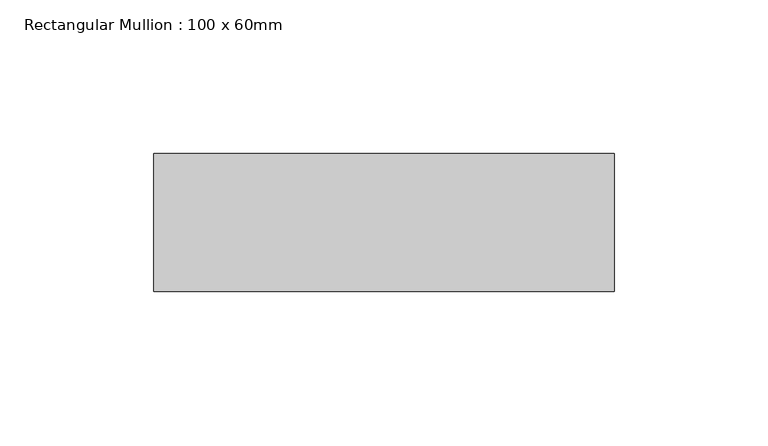
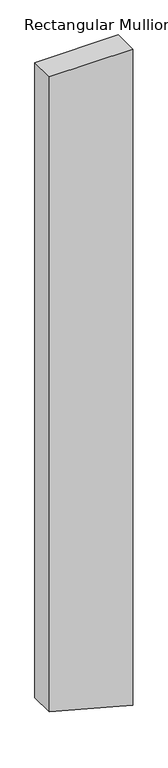
"""IFC4 building model written with IfcOpenShell, lengths in millimetres: member geometry, Rectangular Mullion : 100 x 60mm."""

from ifc_helpers import new_model, si_unit, frame, origin, place, context, project, spatial, polyline, outline, extrude, source, transform, mapped, element, save


def rectangular_mullion_100_x_60mm_4190e8c1(model_context):
    return source(origin(), model_context, "Body", "SweptSolid", [
        extrude(outline(polyline([(0.0, 75.0), (0.0, -75.0), (-1204.9806241, -75.0), (-1235.4793666, 38.8228568), (-1245.1730029, 75.0), (0.0, 75.0)])), frame((0.0, -15.0, 0.0), z_axis=(0.0, 1.0, 0.0), x_axis=(0.0, 0.0, 1.0)), (0.0, 0.0, 1.0), 45.0),
    ])


if __name__ == "__main__":
    model = new_model("IFC4")
    model_context = context("Model", 3, world=origin())
    ifc_project = project(units=[si_unit("LENGTHUNIT", "METRE", prefix="MILLI")], contexts=[model_context])
    site = spatial("IfcSite", under=ifc_project)
    building = spatial("IfcBuilding", under=site)
    placement = place(None, origin())
    rectangular_mullion_100_x_60mm_shape = rectangular_mullion_100_x_60mm_4190e8c1(model_context)
    element("IfcMember", 1, ObjectType="Rectangular Mullion : 100 x 60mm", at=placement, inside=building, context=model_context, shape_type="MappedRepresentation", body=[
        mapped(rectangular_mullion_100_x_60mm_shape, transform((0.0, 0.0, 0.0), x_axis=(1.0, 0.0, 0.0), y_axis=(0.0, 1.0, 0.0), z_axis=(0.0, 0.0, 1.0))),
    ])
    save(model, "model.ifc")
